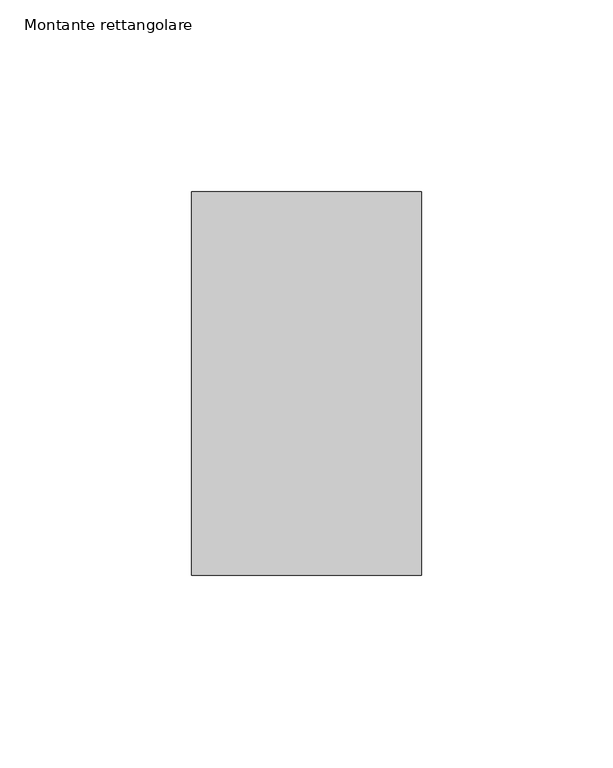
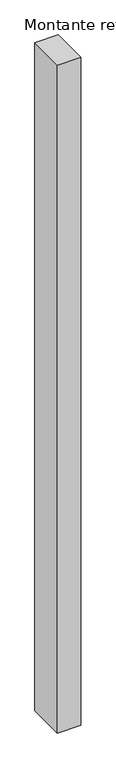
"""IFC4 building model written with IfcOpenShell, lengths in millimetres: member geometry, Montante rettangolare."""

import ifcopenshell
import ifcopenshell.guid

model = None  # the IFC model being written
_history = None  # IfcOwnerHistory: only IFC2X3 demands one
_inside = {}  # id of a spatial element -> (the spatial element, [elements in it])
_under = {}  # id of a project, library or spatial element -> (it, [spatial elements below it])
_declared = {}  # id of a project -> (the project, [libraries it declares])
_typed = {}  # id of a type object -> (the type object, [elements of that type])
_made_of = {}  # id of a material, layer set ... -> (it, [elements and type objects made of it])


def new_model(schema):
    """Start an empty IFC model of exactly this schema.

    Asked for "IFC4X3", IfcOpenShell would pick the latest addendum, in which some entities
    have other attributes; the version numbers below select the first issue.
    IFC2X3 requires an IfcOwnerHistory on every rooted entity: one is made here for all.
    """
    global model, _history
    if schema == "IFC4X3":
        model = ifcopenshell.file(schema_version=(4, 3, 0, 0))
    else:
        model = ifcopenshell.file(schema=schema)
    _inside.clear()
    _under.clear()
    _declared.clear()
    _typed.clear()
    _made_of.clear()
    _history = None
    if model.schema == "IFC2X3":
        org = make("IfcOrganization", Name="unknown")
        user = make(
            "IfcPersonAndOrganization",
            ThePerson=make("IfcPerson", FamilyName="unknown"),
            TheOrganization=org,
        )
        app = make(
            "IfcApplication",
            ApplicationDeveloper=org,
            Version="unknown",
            ApplicationFullName="unknown",
            ApplicationIdentifier="unknown",
        )
        _history = make(
            "IfcOwnerHistory",
            OwningUser=user,
            OwningApplication=app,
            ChangeAction="ADDED",
            CreationDate=0,
        )
    return model


def make(cls, **values):
    """One entity of the class cls with the attributes given. An attribute that is None is left unset."""
    return model.create_entity(
        cls, **{name: value for name, value in values.items() if value is not None}
    )


def rooted(cls, **values):
    """An entity with a GlobalId (a new one), such as an element, a storey or a relation."""
    return make(cls, GlobalId=ifcopenshell.guid.new(), OwnerHistory=_history, **values)


def si_unit(unit_type, name, prefix=None):
    """IfcSIUnit, for example si_unit("LENGTHUNIT", "METRE", prefix="MILLI")."""
    return make("IfcSIUnit", UnitType=unit_type, Prefix=prefix, Name=name)


def assignment(units):
    """IfcUnitAssignment: the units of a project."""
    return None if units is None else make("IfcUnitAssignment", Units=units)


def point(xyz):
    """IfcCartesianPoint."""
    return None if xyz is None else make("IfcCartesianPoint", Coordinates=xyz)


def direction(xyz):
    """IfcDirection."""
    return None if xyz is None else make("IfcDirection", DirectionRatios=xyz)


def frame(location, z_axis=None, x_axis=None):
    """IfcAxis2Placement3D, a coordinate frame: its origin and axes. An axis left out is left unset."""
    return make(
        "IfcAxis2Placement3D",
        Location=point(location),
        Axis=direction(z_axis),
        RefDirection=direction(x_axis),
    )


def origin():
    """The frame at (0, 0, 0) with its axes left unset."""
    return frame((0.0, 0.0, 0.0))


def place(relative_to, where):
    """IfcLocalPlacement: puts the frame where relative to a parent placement (None: the world)."""
    return make(
        "IfcLocalPlacement", PlacementRelTo=relative_to, RelativePlacement=where
    )


def context(
    kind, dimensions, precision=None, world=None, true_north=None, identifier=None
):
    """IfcGeometricRepresentationContext, for example the 3D "Model" context."""
    return make(
        "IfcGeometricRepresentationContext",
        ContextIdentifier=identifier,
        ContextType=kind,
        CoordinateSpaceDimension=dimensions,
        Precision=precision,
        WorldCoordinateSystem=world,
        TrueNorth=true_north,
    )


def project(units=None, contexts=None):
    """IfcProject with its units and contexts."""
    return rooted(
        "IfcProject",
        Name="project",
        RepresentationContexts=contexts,
        UnitsInContext=assignment(units),
    )


def spatial(cls, under=None, at=None, **own):
    """A site, building, storey or space (cls), placed at a placement, below another one or the project."""
    s = rooted(cls, ObjectPlacement=at, **own)
    if under is not None:
        _under.setdefault(under.id(), (under, []))[1].append(s)
    return s


def polyline(points):
    """IfcPolyline through the points."""
    return make("IfcPolyline", Points=[point(p) for p in points])


def outline(outer, holes=None, kind="AREA"):
    """IfcArbitraryClosedProfileDef: a profile drawn as a closed curve; with holes, ...WithVoids."""
    if holes is None:
        return make("IfcArbitraryClosedProfileDef", ProfileType=kind, OuterCurve=outer)
    return make(
        "IfcArbitraryProfileDefWithVoids",
        ProfileType=kind,
        OuterCurve=outer,
        InnerCurves=holes,
    )


def extrude(swept, where, along, depth):
    """IfcExtrudedAreaSolid: the profile swept, set in the frame where, extruded along a direction by depth."""
    return make(
        "IfcExtrudedAreaSolid",
        SweptArea=swept,
        Position=where,
        ExtrudedDirection=direction(along),
        Depth=depth,
    )


def shape(context_of_items, identifier, shape_type, items):
    """IfcShapeRepresentation: the items that make up one representation, for example the "Body"."""
    return make(
        "IfcShapeRepresentation",
        ContextOfItems=context_of_items,
        RepresentationIdentifier=identifier,
        RepresentationType=shape_type,
        Items=items,
    )


def source(mapping_origin, context_of_items, identifier, shape_type, items):
    """IfcRepresentationMap: a shape defined once, which mapped items show again and again."""
    return make(
        "IfcRepresentationMap",
        MappingOrigin=mapping_origin,
        MappedRepresentation=shape(context_of_items, identifier, shape_type, items),
    )


def transform(
    local_origin,
    x_axis=None,
    y_axis=None,
    z_axis=None,
    scale=None,
    scale2=None,
    scale3=None,
    uniform=True,
):
    """IfcCartesianTransformationOperator3D, or its non-uniform kind. x_axis, y_axis, z_axis: its Axis1, 2, 3."""
    if uniform:
        return make(
            "IfcCartesianTransformationOperator3D",
            Axis1=direction(x_axis),
            Axis2=direction(y_axis),
            LocalOrigin=point(local_origin),
            Scale=scale,
            Axis3=direction(z_axis),
        )
    return make(
        "IfcCartesianTransformationOperator3DnonUniform",
        Axis1=direction(x_axis),
        Axis2=direction(y_axis),
        LocalOrigin=point(local_origin),
        Scale=scale,
        Axis3=direction(z_axis),
        Scale2=scale2,
        Scale3=scale3,
    )


def mapped(mapping_source, mapping_target):
    """IfcMappedItem: shows the shape of a source again, moved by a transform."""
    return make(
        "IfcMappedItem", MappingSource=mapping_source, MappingTarget=mapping_target
    )


def made_of(thing, what):
    """Note that an element or type object is made of a material, layer set ...; save() writes the relation."""
    if what is not None:
        _made_of.setdefault(what.id(), (what, []))[1].append(thing)
    return thing


def element(
    cls,
    number,
    at=None,
    inside=None,
    cuts=None,
    type_object=None,
    material=None,
    context=None,
    identifier="Body",
    shape_type=None,
    held_by="IfcProductDefinitionShape",
    body=None,
    shapes=None,
    **own,
):
    """One element of the class cls, such as IfcWall. Its Tag is "e" and its number.

    at: its placement. inside: the storey or other place that contains it. cuts: it is an
    opening in that element (IfcRelVoidsElement). A single representation is given by context,
    identifier, shape_type and body (its items); several are given by shapes. held_by: the class
    of the entity that holds the representations. save() writes the other relations.
    """
    e = rooted(cls, Tag="e%d" % number, ObjectPlacement=at, **own)
    if body is not None:
        shapes = [shape(context, identifier, shape_type, body)]
    if shapes is not None:
        e.Representation = make(held_by, Representations=shapes)
    if inside is not None:
        _inside.setdefault(inside.id(), (inside, []))[1].append(e)
    if cuts is not None:
        rooted(
            "IfcRelVoidsElement", RelatingBuildingElement=cuts, RelatedOpeningElement=e
        )
    if type_object is not None:
        _typed.setdefault(type_object.id(), (type_object, []))[1].append(e)
    return made_of(e, material)


def aggregate(whole, parts):
    """IfcRelAggregates: a whole, such as a stair, and the parts it consists of."""
    return rooted("IfcRelAggregates", RelatingObject=whole, RelatedObjects=parts)


def save(model, path):
    """Write the relations noted so far, then the file.

    IfcRelAggregates (storeys below a building ...), IfcRelContainedInSpatialStructure (elements
    in a storey), IfcRelDefinesByType, IfcRelAssociatesMaterial and IfcRelDeclares: one each for
    every whole, place, type object, material and project.
    """
    for whole, parts in _under.values():
        aggregate(whole, parts)
    for where, things in _inside.values():
        rooted(
            "IfcRelContainedInSpatialStructure",
            RelatedElements=things,
            RelatingStructure=where,
        )
    for kind, things in _typed.values():
        rooted("IfcRelDefinesByType", RelatedObjects=things, RelatingType=kind)
    for what, things in _made_of.values():
        rooted("IfcRelAssociatesMaterial", RelatedObjects=things, RelatingMaterial=what)
    for by, libraries in _declared.values():
        rooted("IfcRelDeclares", RelatingContext=by, RelatedDefinitions=libraries)
    model.write(path)


def montante_rettangolare_974618a9(model_context):
    return source(origin(), model_context, "Body", "SweptSolid", [
        extrude(outline(polyline([(30.0, 50.0), (30.0, -50.0), (-30.0, -50.0), (-30.0, 50.0), (30.0, 50.0)])), frame((0.0, 0.0, -1810.8106088), z_axis=(0.0, 0.0, 1.0), x_axis=(1.0, 0.0, 0.0)), (0.0, 0.0, 1.0), 1810.8106088),
    ])


if __name__ == "__main__":
    model = new_model("IFC4")
    model_context = context("Model", 3, world=origin())
    ifc_project = project(units=[si_unit("LENGTHUNIT", "METRE", prefix="MILLI")], contexts=[model_context])
    site = spatial("IfcSite", under=ifc_project)
    building = spatial("IfcBuilding", under=site)
    placement = place(None, origin())
    montante_rettangolare_shape = montante_rettangolare_974618a9(model_context)
    element("IfcMember", 1, ObjectType="Montante rettangolare", at=placement, inside=building, context=model_context, shape_type="MappedRepresentation", body=[
        mapped(montante_rettangolare_shape, transform((0.0, 0.0, 0.0), x_axis=(1.0, 0.0, 0.0), y_axis=(0.0, 1.0, 0.0), z_axis=(0.0, 0.0, 1.0))),
    ])
    save(model, "model.ifc")
